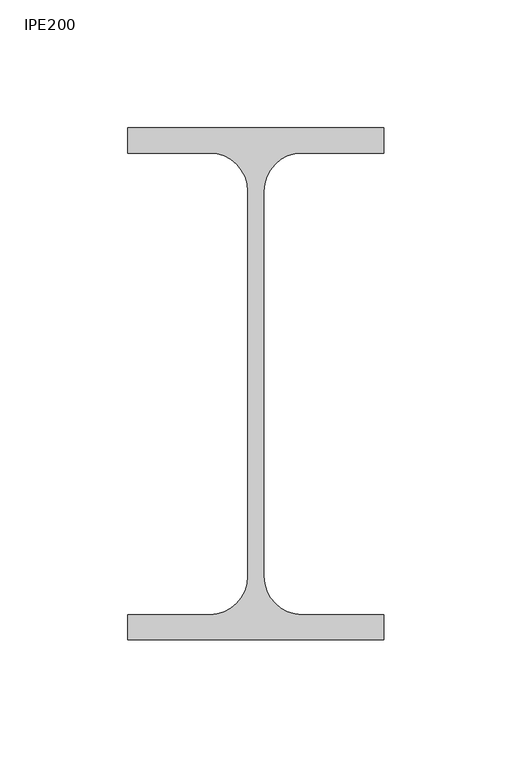
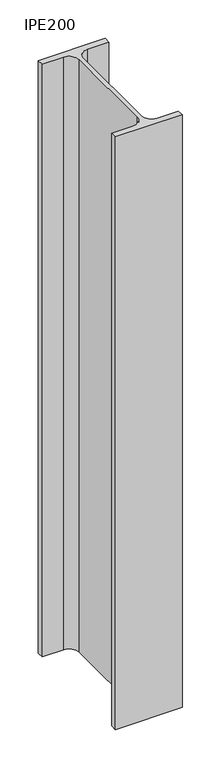
"""IFC4 building model written with IfcOpenShell, lengths in millimetres: column geometry, IPE200."""

from ifc_helpers import new_model, si_unit, point, frame, frame_2d, origin, place, context, project, spatial, polyline, circle_curve, trimmed, segment, composite_curve, outline, extrude, source, transform, mapped, element, save


def ipe200_709b148a(model_context):
    return source(origin(), model_context, "Body", "SweptSolid", [
        extrude(outline(composite_curve([segment(polyline([(50.0, 100.0), (50.0, 90.2), (18.1, 90.2)]), True, "CONTINUOUS"), segment(trimmed(circle_curve(frame_2d((18.1, 75.2)), 15.0), [point((18.1, 90.2))], [point((3.1, 75.2))], True, "CARTESIAN"), True, "CONTINUOUS"), segment(polyline([(3.1, 75.2), (3.1, -75.2)]), True, "CONTINUOUS"), segment(trimmed(circle_curve(frame_2d((18.1, -75.2)), 15.0), [point((3.1, -75.2))], [point((18.1, -90.2))], True, "CARTESIAN"), True, "CONTINUOUS"), segment(polyline([(18.1, -90.2), (50.0, -90.2), (50.0, -100.0), (-50.0, -100.0), (-50.0, -90.2), (-18.1, -90.2)]), True, "CONTINUOUS"), segment(trimmed(circle_curve(frame_2d((-18.1, -75.2)), 15.0), [point((-18.1, -90.2))], [point((-3.1, -75.2))], True, "CARTESIAN"), True, "CONTINUOUS"), segment(polyline([(-3.1, -75.2), (-3.1, 75.2)]), True, "CONTINUOUS"), segment(trimmed(circle_curve(frame_2d((-18.1, 75.2)), 15.0), [point((-3.1, 75.2))], [point((-18.1, 90.2))], True, "CARTESIAN"), True, "CONTINUOUS"), segment(polyline([(-18.1, 90.2), (-50.0, 90.2), (-50.0, 100.0), (50.0, 100.0)]), True, "CONTINUOUS")], self_intersect=False)), frame((0.0, 0.0, 9380.0), z_axis=(0.0, 0.0, 1.0), x_axis=(1.0, 0.0, 0.0)), (0.0, 0.0, 1.0), 940.0),
    ])


if __name__ == "__main__":
    model = new_model("IFC4")
    model_context = context("Model", 3, world=origin())
    ifc_project = project(units=[si_unit("LENGTHUNIT", "METRE", prefix="MILLI")], contexts=[model_context])
    site = spatial("IfcSite", under=ifc_project)
    building = spatial("IfcBuilding", under=site)
    placement = place(None, origin())
    ipe200_shape = ipe200_709b148a(model_context)
    element("IfcColumn", 1, ObjectType="IPE200", at=placement, inside=building, context=model_context, shape_type="MappedRepresentation", body=[
        mapped(ipe200_shape, transform((0.0, 0.0, 0.0), x_axis=(1.0, 0.0, 0.0), y_axis=(0.0, 1.0, 0.0), z_axis=(0.0, 0.0, 1.0))),
    ])
    save(model, "model.ifc")
